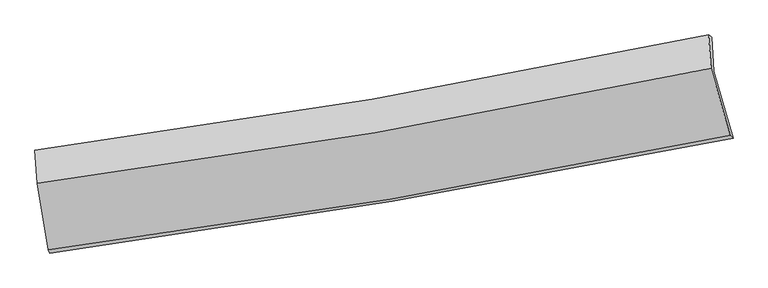
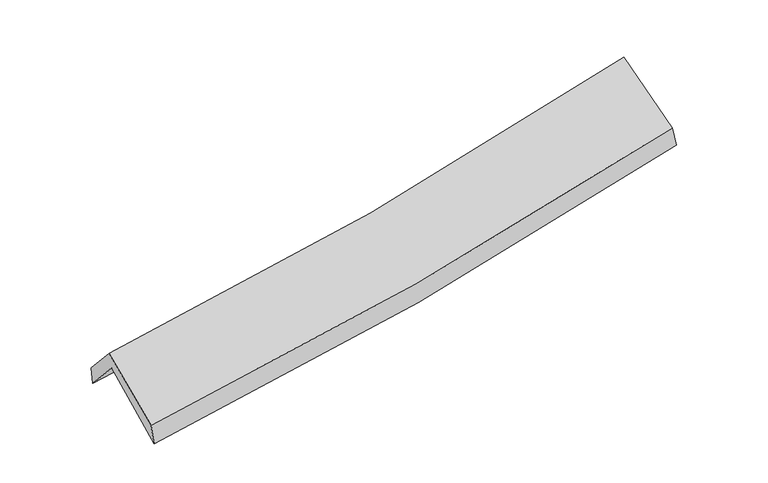
"""IFC4 building model written with IfcOpenShell, lengths in millimetres: proxy geometry."""

from ifc_helpers import new_model, si_unit, frame, origin, place, context, project, spatial, source, transform, mapped, element, save
from ifc_brep_helpers import plane_surface, spline_curve, spline_surface, advanced_brep


def generic_models_a5ad9bf8(model_context):
    return source(origin(), model_context, "Body", "AdvancedBrep", [
        advanced_brep(
        [(-2492.0132308, -2499.19534, 1477.9010888), (-2577.4846346, -1998.5114628, 1919.5149939), (2507.0543591, -1128.6541687, 2394.9786392), (2654.5093679, -1633.736139, 1959.575243), (-2594.8522799, -1730.3080171, 1614.3982241), (2492.4610386, -875.3561858, 2084.8311457), (-2603.4024358, -1724.1480454, 1762.7668603), (2470.7521456, -856.554154, 2245.4611079), (-2587.017798, -1972.763768, 2040.1597267), (2488.2932857, -1108.185188, 2526.4648516), (-2503.7750589, -2473.741279, 1641.7243081), (2632.5246669, -1611.6479409, 2116.9515355)],
        [
            (0, 1),
            (1, 2, spline_curve(3, [(-2577.4846346, -1998.5114628, 1919.5149939), (-1722.335612585, -1892.461740046, 1958.119587021), (-872.188629243, -1767.198398461, 2016.881068908), (822.712433822, -1477.456201081, 2175.148395805), (1667.411781625, -1312.767111191, 2274.874795408), (2507.0543591, -1128.6541687, 2394.9786392)], [4, 2, 4], [0.0, 8.528603156382335, 17.10373900694796])),
            (2, 3),
            (3, 0, spline_curve(3, [(2654.5093679, -1633.736139, 1959.575243), (1802.942012999, -1805.260783205, 1844.344717798), (947.103053391, -1963.30434322, 1746.527986001), (-768.450712951, -2251.644831035, 1586.158412317), (-1628.119286422, -2382.087671469, 1523.417093053), (-2492.0132308, -2499.19534, 1477.9010888)], [4, 2, 4], [0.0, 8.575135850565626, 17.10373900694796])),
            (1, 4),
            (4, 5, spline_curve(3, [(-2594.8522799, -1730.3080171, 1614.3982241), (-1740.540133512, -1619.650431203, 1651.34094518), (-890.582788974, -1493.312262542, 1708.852281455), (805.235967244, -1208.49989457, 1865.43819538), (1651.049728631, -1049.854119323, 1964.737832746), (2492.4610386, -875.3561858, 2084.8311457)], [4, 2, 4], [0.0, 8.479516360108239, 17.00529759318244])),
            (5, 2),
            (4, 6),
            (6, 7, spline_curve(3, [(-2603.4024358, -1724.1480454, 1762.7668603), (-1751.928007817, -1612.310049122, 1812.940665835), (-904.483985343, -1484.332288907, 1878.101767722), (786.944975268, -1195.310925146, 2038.835860311), (1630.885813377, -1034.090721481, 2134.57284109), (2470.7521456, -856.554154, 2245.4611079)], [4, 2, 4], [0.0, 8.470409082952592, 16.987033348888513])),
            (7, 5),
            (6, 8),
            (8, 9, spline_curve(3, [(-2587.017798, -1972.763768, 2040.1597267), (-1735.265253775, -1862.485403482, 2092.108018459), (-887.585943337, -1735.53949137, 2158.458048944), (804.228986736, -1447.529006094, 2320.402174523), (1648.320037684, -1286.282058268, 2416.1538524), (2488.2932857, -1108.185188, 2526.4648516)], [4, 2, 4], [0.0, 8.462714552950175, 16.97160230695476])),
            (9, 7),
            (8, 10),
            (10, 11, spline_curve(3, [(-2503.7750589, -2473.741279, 1641.7243081), (-1641.136193901, -2365.060709083, 1692.987888091), (-782.944144508, -2239.121846075, 1758.076489335), (929.204420705, -1951.946238972, 1916.334293069), (1783.112280087, -1790.520655929, 2009.654767452), (2632.5246669, -1611.6479409, 2116.9515355)], [4, 2, 4], [0.0, 8.511299096249479, 17.06903647444105])),
            (11, 9),
            (10, 0),
            (3, 11),
        ],
        [
            spline_surface(3, 3, [[(-2492.0132308, -2499.19534, 1477.9010888), (-1628.119286431, -2382.087671508, 1523.417092998), (-768.45071307, -2251.64483112, 1586.158412447), (947.103053511, -1963.304343134, 1746.52798587), (1802.942013012, -1805.260783201, 1844.34471781), (2654.5093679, -1633.736139, 1959.575243)], [(-2520.503698721, -2332.300714283, 1625.105723818), (-1659.524728483, -2218.87902769, 1668.317924295), (-803.030018472, -2090.162686912, 1729.732631279), (905.639513619, -1801.354962401, 1889.401455816), (1757.765269236, -1641.096225838, 1987.854743681), (2605.357698276, -1465.375482226, 2104.709708399)], [(-2548.994166679, -2165.406088517, 1772.310358882), (-1690.930170573, -2055.670383822, 1813.218755638), (-837.609323864, -1928.680542759, 1873.306850142), (864.175973737, -1639.405581723, 2032.274925792), (1712.588525531, -1476.931668499, 2131.364769555), (2556.206028724, -1297.014825474, 2249.844173801)], [(-2577.4846346, -1998.5114628, 1919.5149939), (-1722.335612625, -1892.461740004, 1958.119586935), (-872.188629266, -1767.198398551, 2016.881068974), (822.712433845, -1477.45620099, 2175.148395738), (1667.411781755, -1312.767111136, 2274.874795427), (2507.0543591, -1128.6541687, 2394.9786392)]], [4, 4], [4, 2, 4], [0.0, 2.158902262772782], [0.0, 8.528603156382335, 17.10373900694796]),
            spline_surface(3, 3, [[(-2577.4846346, -1998.5114628, 1919.5149939), (-1722.335612625, -1892.461740004, 1958.119586935), (-872.188629266, -1767.198398551, 2016.881068974), (822.712433845, -1477.45620099, 2175.148395738), (1667.411781755, -1312.767111136, 2274.874795427), (2507.0543591, -1128.6541687, 2394.9786392)], [(-2583.273849718, -1909.110314233, 1817.809403969), (-1728.403786248, -1801.524637089, 1855.860039661), (-878.320015786, -1675.903019901, 1914.204806485), (816.886944974, -1387.804098816, 2071.911662251), (1661.957764102, -1225.129447236, 2171.495807847), (2502.189918942, -1044.221507749, 2291.596141349)], [(-2589.063064782, -1819.709165667, 1716.103814031), (-1734.471959816, -1710.587534175, 1753.60049238), (-884.451402375, -1584.607641272, 1811.528544022), (811.061456035, -1298.151996663, 1968.674928789), (1656.503746422, -1137.491783289, 2068.116820321), (2497.325478758, -959.788846751, 2188.213643551)], [(-2594.8522799, -1730.3080171, 1614.3982241), (-1740.540133439, -1619.65043126, 1651.340945106), (-890.582788895, -1493.312262622, 1708.852281533), (805.235967164, -1208.499894489, 1865.438195301), (1651.049728769, -1049.854119389, 1964.737832741), (2492.4610386, -875.3561858, 2084.8311457)]], [4, 4], [4, 2, 4], [0.0, 1.3502835612589754], [0.0, 8.479516360108239, 17.00529759318244]),
            spline_surface(3, 3, [[(-2594.8522799, -1730.3080171, 1614.3982241), (-1740.540133439, -1619.65043126, 1651.340945106), (-890.582788895, -1493.312262622, 1708.852281533), (805.235967164, -1208.499894489, 1865.438195301), (1651.049728769, -1049.854119389, 1964.737832741), (2492.4610386, -875.3561858, 2084.8311457)], [(-2597.702331845, -1728.254693196, 1663.854436169), (-1744.336091544, -1617.203637184, 1705.207518643), (-895.216521103, -1490.318938071, 1765.268776922), (799.138969879, -1204.10357137, 1923.237417027), (1644.328423683, -1044.599653402, 2021.349502175), (2485.224740941, -869.08884187, 2138.374466448)], [(-2600.552383855, -1726.201369304, 1713.310648231), (-1748.132049713, -1614.756843117, 1759.074092174), (-899.850253244, -1487.325613497, 1821.685272238), (793.041972662, -1199.707248227, 1981.03663868), (1637.607118573, -1039.345187403, 2077.961171566), (2477.988443259, -862.82149793, 2191.917787152)], [(-2603.4024358, -1724.1480454, 1762.7668603), (-1751.928007818, -1612.310049041, 1812.940665712), (-904.483985452, -1484.332288946, 1878.101767627), (786.944975377, -1195.310925107, 2038.835860406), (1630.885813487, -1034.090721415, 2134.572841), (2470.7521456, -856.554154, 2245.4611079)]], [4, 4], [4, 2, 4], [0.0, 0.5657730190970965], [0.0, 8.470409082952592, 16.987033348888513]),
            spline_surface(3, 3, [[(-2603.4024358, -1724.1480454, 1762.7668603), (-1751.928007818, -1612.310049041, 1812.940665712), (-904.483985452, -1484.332288946, 1878.101767627), (786.944975377, -1195.310925107, 2038.835860406), (1630.885813487, -1034.090721415, 2134.572841), (2470.7521456, -856.554154, 2245.4611079)], [(-2597.940889871, -1807.01995291, 1855.23114912), (-1746.373756458, -1695.701833808, 1905.99644999), (-898.851304767, -1568.068023056, 1971.553861372), (792.706312527, -1279.38361881, 2132.691298447), (1636.697221568, -1118.154500381, 2228.433178161), (2476.599192298, -940.431165324, 2339.129022481)], [(-2592.479343929, -1889.89186049, 1947.69543788), (-1740.819505085, -1779.093618645, 1999.052234208), (-893.218624097, -1651.803757152, 2065.005955155), (798.467649662, -1363.4563125, 2226.546736526), (1642.508629653, -1202.218279374, 2322.293515279), (2482.446239002, -1024.308176676, 2432.796937019)], [(-2587.017798, -1972.763768, 2040.1597267), (-1735.265253725, -1862.485403413, 2092.108018486), (-887.585943412, -1735.539491262, 2158.4580489), (804.228986811, -1447.529006203, 2320.402174567), (1648.320037734, -1286.28205834, 2416.15385244), (2488.2932857, -1108.185188, 2526.4648516)]], [4, 4], [4, 2, 4], [0.0, 1.2388977313314247], [0.0, 8.462714552950175, 16.97160230695476]),
            spline_surface(3, 3, [[(-2587.017798, -1972.763768, 2040.1597267), (-1735.265253725, -1862.485403413, 2092.108018486), (-887.585943412, -1735.539491262, 2158.4580489), (804.228986811, -1447.529006203, 2320.402174567), (1648.320037734, -1286.28205834, 2416.15385244), (2488.2932857, -1108.185188, 2526.4648516)], [(-2559.270218321, -2139.756271689, 1907.347920483), (-1703.888900467, -2030.01050537, 1959.067975027), (-852.705343774, -1903.400276227, 2024.997529069), (845.887464807, -1615.668083786, 2185.712880706), (1693.250785141, -1454.361590903, 2280.654157457), (2536.370412753, -1276.006105651, 2389.960412898)], [(-2531.522638579, -2306.748775311, 1774.536114317), (-1672.512547145, -2197.535607261, 1826.027931621), (-817.824744187, -2071.261061161, 1891.537009244), (887.545942752, -1783.807161338, 2051.023586851), (1738.18153259, -1622.441123412, 2145.154462479), (2584.447539847, -1443.827023249, 2253.455974202)], [(-2503.7750589, -2473.741279, 1641.7243081), (-1641.136193886, -2365.060709219, 1692.987888163), (-782.944144549, -2239.121846126, 1758.076489413), (929.204420747, -1951.946238921, 1916.33429299), (1783.112279998, -1790.520655975, 2009.654767496), (2632.5246669, -1611.6479409, 2116.9515355)]], [4, 4], [4, 2, 4], [0.0, 2.1488990260610614], [0.0, 8.511299096249479, 17.06903647444105]),
            spline_surface(3, 3, [[(-2503.7750589, -2473.741279, 1641.7243081), (-1641.136193886, -2365.060709219, 1692.987888163), (-782.944144549, -2239.121846126, 1758.076489413), (929.204420747, -1951.946238921, 1916.33429299), (1783.112279998, -1790.520655975, 2009.654767496), (2632.5246669, -1611.6479409, 2116.9515355)], [(-2499.854449524, -2482.225965988, 1587.116568341), (-1636.797224725, -2370.736363304, 1636.464289783), (-778.113000742, -2243.29617446, 1700.770463767), (935.170631649, -1955.732273662, 1859.732190626), (1789.722191024, -1795.434031697, 1954.551417593), (2639.852900589, -1619.01067358, 2064.492771325)], [(-2495.933840176, -2490.710653012, 1532.508828559), (-1632.458255593, -2376.412017423, 1579.940691378), (-773.281856877, -2247.470502786, 1643.464438093), (941.136842609, -1959.518308394, 1803.130088234), (1796.332101985, -1800.347407479, 1899.448067713), (2647.181134211, -1626.37340632, 2012.034007175)], [(-2492.0132308, -2499.19534, 1477.9010888), (-1628.119286431, -2382.087671508, 1523.417092998), (-768.45071307, -2251.64483112, 1586.158412447), (947.103053511, -1963.304343134, 1746.52798587), (1802.942013012, -1805.260783201, 1844.34471781), (2654.5093679, -1633.736139, 1959.575243)]], [4, 4], [4, 2, 4], [0.0, 0.564428569427991], [0.0, 8.568167288896129, 17.183083136829985]),
            plane_surface(frame((2540.9324773, -1202.3556294, 2221.3770872), z_axis=(0.9755804840967535, 0.19036290983680176, 0.10956587793656343), x_axis=(0.21694974590045765, -0.7572978601904687, -0.6159811350233578))),
            plane_surface(frame((-2559.757573, -2066.4446521, 1742.7442003), z_axis=(-0.991004439723366, -0.12331786036961515, -0.05198947742031819), x_axis=(-0.0707667436139332, 0.15314804692401815, 0.9856661421199567))),
        ],
        [
            (0, [[1, 2, 3, 4]]),
            (1, [[5, 6, 7, -2]]),
            (2, [[8, 9, 10, -6]]),
            (3, [[11, 12, 13, -9]]),
            (4, [[14, 15, 16, -12]]),
            (5, [[17, -4, 18, -15]]),
            (6, [[-16, -18, -3, -7, -10, -13]]),
            (7, [[-17, -14, -11, -8, -5, -1]]),
        ],
    ),
    ])


if __name__ == "__main__":
    model = new_model("IFC4")
    model_context = context("Model", 3, world=origin())
    ifc_project = project(units=[si_unit("LENGTHUNIT", "METRE", prefix="MILLI")], contexts=[model_context])
    site = spatial("IfcSite", under=ifc_project)
    building = spatial("IfcBuilding", under=site)
    placement = place(None, origin())
    generic_models_shape = generic_models_a5ad9bf8(model_context)
    element("IfcBuildingElementProxy", 1, Name="Generic Models", at=placement, inside=building, context=model_context, shape_type="MappedRepresentation", body=[
        mapped(generic_models_shape, transform((0.0, 0.0, 0.0), x_axis=(1.0, 0.0, 0.0), y_axis=(0.0, 1.0, 0.0), z_axis=(0.0, 0.0, 1.0))),
    ])
    save(model, "model.ifc")
